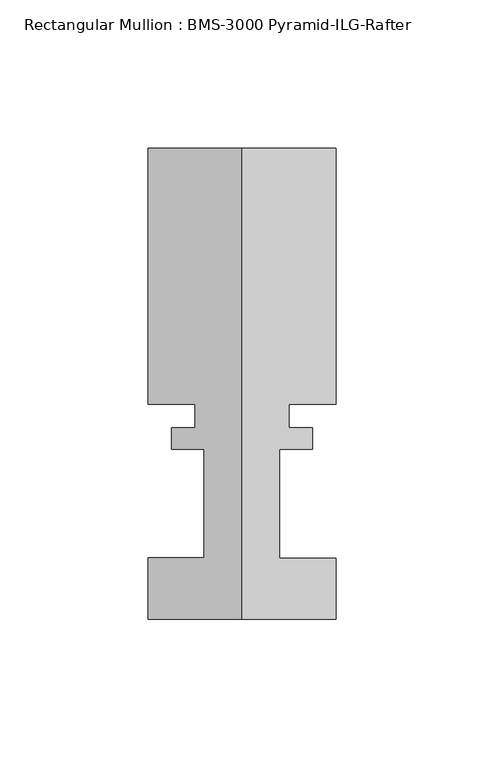
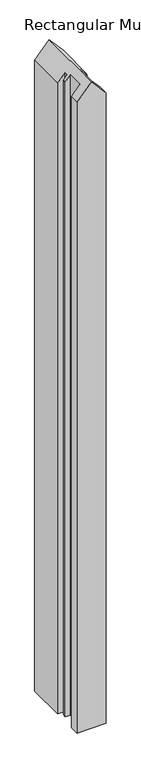
"""IFC4 building model written with IfcOpenShell, lengths in millimetres: member geometry, Rectangular Mullion : BMS-3000 Pyramid-ILG-Rafter."""

from ifc_helpers import new_model, si_unit, origin, place, context, project, spatial, faceted_brep, source, transform, mapped, element, save


def rectangular_mullion_bms_3000_pyramid_ilg_rafter_76dc90a3(model_context):
    return source(origin(), model_context, "Body", "Brep", [
        faceted_brep([(23.8252, 61.3362375, -1632.6326892), (23.8252, 54.0742188, -1632.6326892), (12.7, 54.0742188, -1632.6326892), (12.7, 17.3180375, -1632.6326892), (31.75, 17.2799375, -1632.6326892), (31.75, -3.3575625, -1632.6326892), (-31.75, -3.3575625, -1632.6326892), (-31.75, 17.3180375, -1632.6326892), (-12.7, 17.3180375, -1632.6326892), (-12.7, 54.0742188, -1632.6326892), (-23.8252, 54.0742188, -1632.6326892), (-23.8252, 61.3362375, -1632.6326892), (-15.875, 61.3362375, -1632.6326892), (-15.875, 69.2356375, -1632.6326892), (-31.75, 69.2356375, -1632.6326892), (-31.75, 155.7734375, -1632.6326892), (31.75, 155.7734375, -1632.6326892), (31.75, 69.2356375, -1632.6326892), (15.875, 69.2356375, -1632.6326892), (15.875, 61.3362375, -1632.6326892), (15.875, 61.3362375, -159.9748342), (23.8252, 61.3362375, -169.1549344), (15.875, 69.2356375, -159.9748342), (31.75, 69.2356375, -178.3057053), (31.75, 155.7734375, -178.3057053), (-31.75, 155.7734375, -178.3057053), (0.0, 155.7734375, -141.6439632), (-31.75, 69.2356375, -178.3057053), (-15.875, 69.2356375, -159.9748342), (-15.875, 61.3362375, -159.9748342), (-23.8252, 61.3362375, -169.1549344), (-23.8252, 54.0742188, -169.1549344), (-12.7, 54.0742188, -156.30866), (-12.7, 17.3180375, -156.30866), (-31.75, 17.3180375, -178.3057053), (-31.75, -3.3575625, -178.3057053), (31.75, -3.3575625, -178.3057053), (0.0, -3.3575625, -141.6439632), (31.75, 17.2799375, -178.3057053), (12.7, 17.3180375, -156.30866), (12.7, 54.0742188, -156.30866), (23.8252, 54.0742188, -169.1549344)], [[[0, 1, 2, 3, 4, 5, 6, 7, 8, 9, 10, 11, 12, 13, 14, 15, 16, 17, 18, 19]], [[20, 21, 0, 19]], [[22, 20, 19, 18]], [[23, 22, 18, 17]], [[24, 23, 17, 16]], [[25, 26, 24, 16, 15]], [[27, 25, 15, 14]], [[28, 27, 14, 13]], [[29, 28, 13, 12]], [[30, 29, 12, 11]], [[31, 30, 11, 10]], [[32, 31, 10, 9]], [[33, 32, 9, 8]], [[34, 33, 8, 7]], [[35, 34, 7, 6]], [[36, 37, 35, 6, 5]], [[38, 36, 5, 4]], [[39, 38, 4, 3]], [[40, 39, 3, 2]], [[41, 40, 2, 1]], [[21, 41, 1, 0]], [[21, 20, 22, 23, 24, 26, 37, 36, 38, 39, 40, 41]], [[26, 25, 27, 28, 29, 30, 31, 32, 33, 34, 35, 37]]]),
    ])


if __name__ == "__main__":
    model = new_model("IFC4")
    model_context = context("Model", 3, world=origin())
    ifc_project = project(units=[si_unit("LENGTHUNIT", "METRE", prefix="MILLI")], contexts=[model_context])
    site = spatial("IfcSite", under=ifc_project)
    building = spatial("IfcBuilding", under=site)
    placement = place(None, origin())
    rectangular_mullion_bms_3000_pyramid_ilg_rafter_shape = rectangular_mullion_bms_3000_pyramid_ilg_rafter_76dc90a3(model_context)
    element("IfcMember", 1, ObjectType="Rectangular Mullion : BMS-3000 Pyramid-ILG-Rafter", at=placement, inside=building, context=model_context, shape_type="MappedRepresentation", body=[
        mapped(rectangular_mullion_bms_3000_pyramid_ilg_rafter_shape, transform((0.0, 0.0, 0.0), x_axis=(1.0, 0.0, 0.0), y_axis=(0.0, 1.0, 0.0), z_axis=(0.0, 0.0, 1.0))),
    ])
    save(model, "model.ifc")
